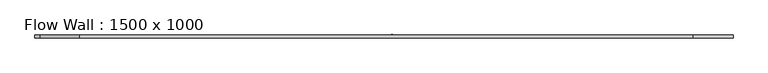
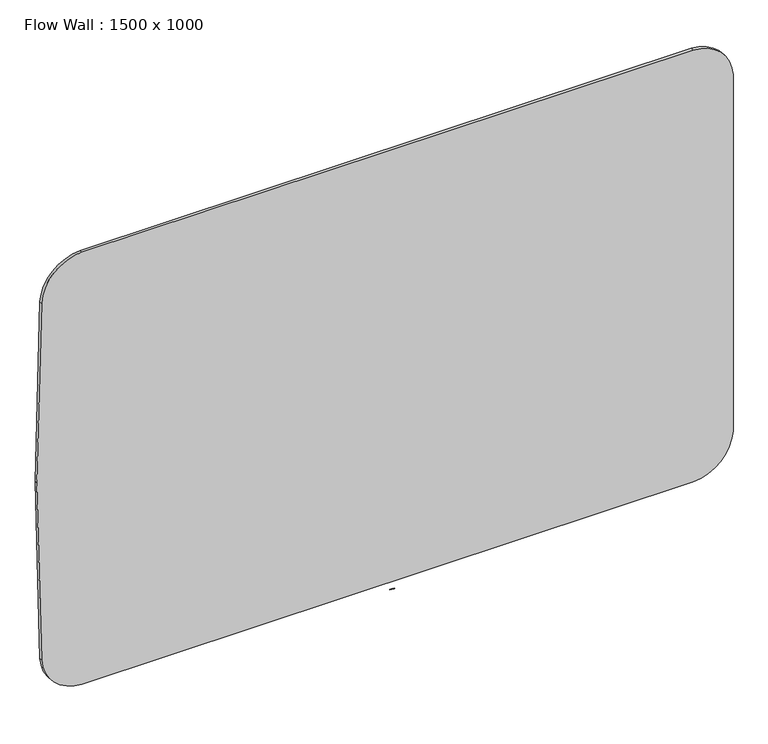
"""IFC4 building model written with IfcOpenShell, lengths in millimetres: furniture geometry, Flow Wall : 1500 x 1000."""

from ifc_helpers import new_model, si_unit, point, frame, frame_2d, origin, place, context, project, spatial, circle_curve, trimmed, segment, composite_curve, outline, extrude, source, transform, mapped, element, save


def flow_wall_1500_x_1000_fdc0dab7(model_context):
    return source(origin(), model_context, "Body", "SweptSolid", [
        extrude(outline(composite_curve([segment(trimmed(circle_curve(frame_2d((-13993.963356, 0.0)), 15000.0), [point((991.7912469, 653.5740067))], [point((991.7912469, -653.5740067))], False, "CARTESIAN"), True, "CONTINUOUS"), segment(trimmed(circle_curve(frame_2d((901.8767193, -649.6525627)), 90.0), [point((991.7912469, -653.5740067))], [point((906.4149311, -739.5380711))], False, "CARTESIAN"), True, "CONTINUOUS"), segment(trimmed(circle_curve(frame_2d((503.018322, 7250.2849041)), 8000.0), [point((906.4149311, -739.5380711))], [point((503.018322, -749.7150959))], False, "CARTESIAN"), True, "CONTINUOUS"), segment(trimmed(circle_curve(frame_2d((503.018322, 7250.2849041)), 8000.0), [point((503.018322, -749.7150959))], [point((99.6217129, -739.5380711))], False, "CARTESIAN"), True, "CONTINUOUS"), segment(trimmed(circle_curve(frame_2d((104.1599247, -649.6525627)), 90.0), [point((99.6217129, -739.5380711))], [point((14.2453971, -653.5740067))], False, "CARTESIAN"), True, "CONTINUOUS"), segment(trimmed(circle_curve(frame_2d((15000.0, 0.0)), 15000.0), [point((14.2453971, -653.5740067))], [point((14.2453971, 653.5740067))], False, "CARTESIAN"), True, "CONTINUOUS"), segment(trimmed(circle_curve(frame_2d((104.1599247, 649.6525627)), 90.0), [point((14.2453971, 653.5740067))], [point((99.6217129, 739.5380711))], False, "CARTESIAN"), True, "CONTINUOUS"), segment(trimmed(circle_curve(frame_2d((503.018322, -7250.2849041)), 8000.0), [point((99.6217129, 739.5380711))], [point((906.4149311, 739.5380711))], False, "CARTESIAN"), True, "CONTINUOUS"), segment(trimmed(circle_curve(frame_2d((901.8767193, 649.6525627)), 90.0), [point((906.4149311, 739.5380711))], [point((991.7912469, 653.5740067))], False, "CARTESIAN"), True, "CONTINUOUS")], self_intersect=False)), frame((0.0, -6.0, 0.0), z_axis=(0.0, 1.0, 0.0), x_axis=(0.0, 0.0, 1.0)), (0.0, 0.0, 1.0), 6.0),
        extrude(outline(composite_curve([segment(trimmed(circle_curve(frame_2d((17.8140378, -29.8743533)), 30.0), [point((16.9116166, 0.1120708))], [point((18.7164591, 0.1120708))], False, "CARTESIAN"), True, "CONTINUOUS"), segment(trimmed(circle_curve(frame_2d((18.713763, 0.022123)), 0.0899883), [point((18.7164591, 0.1120708))], [point((18.803638, 0.0266359))], False, "CARTESIAN"), True, "CONTINUOUS"), segment(trimmed(circle_curve(frame_2d((10.8137529, -0.3755281)), 8.0), [point((18.803638, 0.0266359))], [point((18.803638, -0.7776922))], False, "CARTESIAN"), True, "CONTINUOUS"), segment(trimmed(circle_curve(frame_2d((18.713763, -0.7731792)), 0.0899883), [point((18.803638, -0.7776922))], [point((18.7164591, -0.8631271))], False, "CARTESIAN"), True, "CONTINUOUS"), segment(trimmed(circle_curve(frame_2d((17.8140378, 29.1232971)), 30.0), [point((18.7164591, -0.8631271))], [point((16.9116166, -0.8631271))], False, "CARTESIAN"), True, "CONTINUOUS"), segment(trimmed(circle_curve(frame_2d((16.9143126, -0.7731792)), 0.0899883), [point((16.9116166, -0.8631271))], [point((16.8244376, -0.7776922))], False, "CARTESIAN"), True, "CONTINUOUS"), segment(trimmed(circle_curve(frame_2d((24.8143227, -0.3755281)), 8.0), [point((16.8244376, -0.7776922))], [point((16.8143227, -0.3755281))], False, "CARTESIAN"), True, "CONTINUOUS"), segment(trimmed(circle_curve(frame_2d((24.8143227, -0.3755281)), 8.0), [point((16.8143227, -0.3755281))], [point((16.8244376, 0.0266359))], False, "CARTESIAN"), True, "CONTINUOUS"), segment(trimmed(circle_curve(frame_2d((16.9143126, 0.022123)), 0.0899883), [point((16.8244376, 0.0266359))], [point((16.9116166, 0.1120708))], False, "CARTESIAN"), True, "CONTINUOUS")], self_intersect=False)), frame((0.0, 0.0, -7.4147222), z_axis=(0.0, 0.0, 1.0), x_axis=(1.0, 0.0, 0.0)), (0.0, 0.0, 1.0), 0.006),
        extrude(outline(composite_curve([segment(trimmed(circle_curve(frame_2d((14.8989791, -14.1960751)), 15.0), [point((14.2454051, 0.7896795))], [point((15.5525531, 0.7896795))], False, "CARTESIAN"), True, "CONTINUOUS"), segment(trimmed(circle_curve(frame_2d((15.5486316, 0.699765)), 0.09), [point((15.5525531, 0.7896795))], [point((15.6385171, 0.7043032))], False, "CARTESIAN"), True, "CONTINUOUS"), segment(trimmed(circle_curve(frame_2d((7.6486942, 0.3009066)), 8.0), [point((15.6385171, 0.7043032))], [point((15.6385171, -0.10249))], False, "CARTESIAN"), True, "CONTINUOUS"), segment(trimmed(circle_curve(frame_2d((15.5486316, -0.0979518)), 0.09), [point((15.6385171, -0.10249))], [point((15.5525531, -0.1878663))], False, "CARTESIAN"), True, "CONTINUOUS"), segment(trimmed(circle_curve(frame_2d((14.8989791, 14.7978883)), 15.0), [point((15.5525531, -0.1878663))], [point((14.2454051, -0.1878663))], False, "CARTESIAN"), True, "CONTINUOUS"), segment(trimmed(circle_curve(frame_2d((14.2493265, -0.0979518)), 0.09), [point((14.2454051, -0.1878663))], [point((14.159441, -0.10249))], False, "CARTESIAN"), True, "CONTINUOUS"), segment(trimmed(circle_curve(frame_2d((22.149264, 0.3009066)), 8.0), [point((14.159441, -0.10249))], [point((14.149264, 0.3009066))], False, "CARTESIAN"), True, "CONTINUOUS"), segment(trimmed(circle_curve(frame_2d((22.149264, 0.3009066)), 8.0), [point((14.149264, 0.3009066))], [point((14.159441, 0.7043032))], False, "CARTESIAN"), True, "CONTINUOUS"), segment(trimmed(circle_curve(frame_2d((14.2493265, 0.699765)), 0.09), [point((14.159441, 0.7043032))], [point((14.2454051, 0.7896795))], False, "CARTESIAN"), True, "CONTINUOUS")], self_intersect=False)), frame((0.0, 0.0, -7.4147222), z_axis=(0.0, 0.0, 1.0), x_axis=(1.0, 0.0, 0.0)), (0.0, 0.0, 1.0), 0.006),
        extrude(outline(composite_curve([segment(trimmed(circle_curve(frame_2d((13.2344979, -10.6292964)), 11.5), [point((12.7057204, 0.8585404))], [point((13.7632754, 0.8585404))], False, "CARTESIAN"), True, "CONTINUOUS"), segment(trimmed(circle_curve(frame_2d((13.7591372, 0.7686356)), 0.09), [point((13.7632754, 0.8585404))], [point((13.8490225, 0.7731768))], False, "CARTESIAN"), True, "CONTINUOUS"), segment(trimmed(circle_curve(frame_2d((5.859213, 0.369514)), 8.0), [point((13.8490225, 0.7731768))], [point((13.8490225, -0.0341489))], False, "CARTESIAN"), True, "CONTINUOUS"), segment(trimmed(circle_curve(frame_2d((13.7591372, -0.0296077)), 0.09), [point((13.8490225, -0.0341489))], [point((13.7632754, -0.1195125))], False, "CARTESIAN"), True, "CONTINUOUS"), segment(trimmed(circle_curve(frame_2d((13.2344979, 11.3683243)), 11.5), [point((13.7632754, -0.1195125))], [point((12.7057204, -0.1195125))], False, "CARTESIAN"), True, "CONTINUOUS"), segment(trimmed(circle_curve(frame_2d((12.7098586, -0.0296077)), 0.09), [point((12.7057204, -0.1195125))], [point((12.6199733, -0.0341489))], False, "CARTESIAN"), True, "CONTINUOUS"), segment(trimmed(circle_curve(frame_2d((20.6097828, 0.369514)), 8.0), [point((12.6199733, -0.0341489))], [point((12.6097828, 0.369514))], False, "CARTESIAN"), True, "CONTINUOUS"), segment(trimmed(circle_curve(frame_2d((20.6097828, 0.369514)), 8.0), [point((12.6097828, 0.369514))], [point((12.6199733, 0.7731768))], False, "CARTESIAN"), True, "CONTINUOUS"), segment(trimmed(circle_curve(frame_2d((12.7098586, 0.7686356)), 0.09), [point((12.6199733, 0.7731768))], [point((12.7057204, 0.8585404))], False, "CARTESIAN"), True, "CONTINUOUS")], self_intersect=False)), frame((0.0, 0.0, -7.4147222), z_axis=(0.0, 0.0, 1.0), x_axis=(1.0, 0.0, 0.0)), (0.0, 0.0, 1.0), 0.006),
        extrude(outline(composite_curve([segment(trimmed(circle_curve(frame_2d((11.880102, -7.1379444)), 8.0), [point((11.4759408, 0.85184))], [point((12.2842632, 0.85184))], False, "CARTESIAN"), True, "CONTINUOUS"), segment(trimmed(circle_curve(frame_2d((12.2797164, 0.7619549)), 0.09), [point((12.2842632, 0.85184))], [point((12.3696014, 0.7665017))], False, "CARTESIAN"), True, "CONTINUOUS"), segment(trimmed(circle_curve(frame_2d((4.3798171, 0.3623405)), 8.0), [point((12.3696014, 0.7665017))], [point((12.3696014, -0.0418206))], False, "CARTESIAN"), True, "CONTINUOUS"), segment(trimmed(circle_curve(frame_2d((12.2797164, -0.0372738)), 0.09), [point((12.3696014, -0.0418206))], [point((12.2842632, -0.1271589))], False, "CARTESIAN"), True, "CONTINUOUS"), segment(trimmed(circle_curve(frame_2d((11.880102, 7.8626254)), 8.0), [point((12.2842632, -0.1271589))], [point((11.4759408, -0.1271589))], False, "CARTESIAN"), True, "CONTINUOUS"), segment(trimmed(circle_curve(frame_2d((11.4804876, -0.0372738)), 0.09), [point((11.4759408, -0.1271589))], [point((11.3906026, -0.0418206))], False, "CARTESIAN"), True, "CONTINUOUS"), segment(trimmed(circle_curve(frame_2d((19.3803869, 0.3623405)), 8.0), [point((11.3906026, -0.0418206))], [point((11.3803869, 0.3623405))], False, "CARTESIAN"), True, "CONTINUOUS"), segment(trimmed(circle_curve(frame_2d((19.3803869, 0.3623405)), 8.0), [point((11.3803869, 0.3623405))], [point((11.3906026, 0.7665017))], False, "CARTESIAN"), True, "CONTINUOUS"), segment(trimmed(circle_curve(frame_2d((11.4804876, 0.7619549)), 0.09), [point((11.3906026, 0.7665017))], [point((11.4759408, 0.85184))], False, "CARTESIAN"), True, "CONTINUOUS")], self_intersect=False)), frame((0.0, 0.0, -7.4147222), z_axis=(0.0, 0.0, 1.0), x_axis=(1.0, 0.0, 0.0)), (0.0, 0.0, 1.0), 0.006),
        extrude(outline(composite_curve([segment(trimmed(circle_curve(frame_2d((10.7219096, -5.1332795)), 6.0), [point((10.4208166, 0.859161))], [point((11.0230025, 0.859161))], False, "CARTESIAN"), True, "CONTINUOUS"), segment(trimmed(circle_curve(frame_2d((11.0194898, 0.7892492)), 0.07), [point((11.0230025, 0.859161))], [point((11.0894016, 0.792762))], False, "CARTESIAN"), True, "CONTINUOUS"), segment(trimmed(circle_curve(frame_2d((5.0969611, 0.491669)), 6.0), [point((11.0894016, 0.792762))], [point((11.0894016, 0.1905761))], False, "CARTESIAN"), True, "CONTINUOUS"), segment(trimmed(circle_curve(frame_2d((11.0194898, 0.1940888)), 0.07), [point((11.0894016, 0.1905761))], [point((11.0230025, 0.124177))], False, "CARTESIAN"), True, "CONTINUOUS"), segment(trimmed(circle_curve(frame_2d((10.7219096, 6.1166175)), 6.0), [point((11.0230025, 0.124177))], [point((10.4208166, 0.124177))], False, "CARTESIAN"), True, "CONTINUOUS"), segment(trimmed(circle_curve(frame_2d((10.4243294, 0.1940888)), 0.07), [point((10.4208166, 0.124177))], [point((10.3544176, 0.1905761))], False, "CARTESIAN"), True, "CONTINUOUS"), segment(trimmed(circle_curve(frame_2d((16.346858, 0.491669)), 6.0), [point((10.3544176, 0.1905761))], [point((10.346858, 0.491669))], False, "CARTESIAN"), True, "CONTINUOUS"), segment(trimmed(circle_curve(frame_2d((16.346858, 0.491669)), 6.0), [point((10.346858, 0.491669))], [point((10.3544176, 0.792762))], False, "CARTESIAN"), True, "CONTINUOUS"), segment(trimmed(circle_curve(frame_2d((10.4243294, 0.7892492)), 0.07), [point((10.3544176, 0.792762))], [point((10.4208166, 0.859161))], False, "CARTESIAN"), True, "CONTINUOUS")], self_intersect=False)), frame((0.0, 0.0, -7.4147222), z_axis=(0.0, 0.0, 1.0), x_axis=(1.0, 0.0, 0.0)), (0.0, 0.0, 1.0), 0.006),
        extrude(outline(composite_curve([segment(trimmed(circle_curve(frame_2d((9.4837532, -3.2756697)), 4.0), [point((9.286245, 0.7194511))], [point((9.6812614, 0.7194511))], False, "CARTESIAN"), True, "CONTINUOUS"), segment(trimmed(circle_curve(frame_2d((9.6787926, 0.6695121)), 0.05), [point((9.6812614, 0.7194511))], [point((9.7287316, 0.6719809))], False, "CARTESIAN"), True, "CONTINUOUS"), segment(trimmed(circle_curve(frame_2d((5.7336107, 0.4744727)), 4.0), [point((9.7287316, 0.6719809))], [point((9.7287316, 0.2769645))], False, "CARTESIAN"), True, "CONTINUOUS"), segment(trimmed(circle_curve(frame_2d((9.6787926, 0.2794333)), 0.05), [point((9.7287316, 0.2769645))], [point((9.6812614, 0.2294943))], False, "CARTESIAN"), True, "CONTINUOUS"), segment(trimmed(circle_curve(frame_2d((9.4837532, 4.2246152)), 4.0), [point((9.6812614, 0.2294943))], [point((9.286245, 0.2294943))], False, "CARTESIAN"), True, "CONTINUOUS"), segment(trimmed(circle_curve(frame_2d((9.2887138, 0.2794333)), 0.05), [point((9.286245, 0.2294943))], [point((9.2387748, 0.2769645))], False, "CARTESIAN"), True, "CONTINUOUS"), segment(trimmed(circle_curve(frame_2d((13.2338956, 0.4744727)), 4.0), [point((9.2387748, 0.2769645))], [point((9.2338956, 0.4744727))], False, "CARTESIAN"), True, "CONTINUOUS"), segment(trimmed(circle_curve(frame_2d((13.2338956, 0.4744727)), 4.0), [point((9.2338956, 0.4744727))], [point((9.2387748, 0.6719809))], False, "CARTESIAN"), True, "CONTINUOUS"), segment(trimmed(circle_curve(frame_2d((9.2887138, 0.6695121)), 0.05), [point((9.2387748, 0.6719809))], [point((9.286245, 0.7194511))], False, "CARTESIAN"), True, "CONTINUOUS")], self_intersect=False)), frame((0.0, 0.0, -7.4147222), z_axis=(0.0, 0.0, 1.0), x_axis=(1.0, 0.0, 0.0)), (0.0, 0.0, 1.0), 0.006),
        extrude(outline(composite_curve([segment(trimmed(circle_curve(frame_2d((8.6540231, -2.2771172)), 2.7), [point((8.5348244, 0.4202503))], [point((8.7732217, 0.4202503))], False, "CARTESIAN"), True, "CONTINUOUS"), segment(trimmed(circle_curve(frame_2d((8.7718973, 0.3902796)), 0.03), [point((8.7732217, 0.4202503))], [point((8.8018681, 0.391604))], False, "CARTESIAN"), True, "CONTINUOUS"), segment(trimmed(circle_curve(frame_2d((6.1045005, 0.2724054)), 2.7), [point((8.8018681, 0.391604))], [point((8.8018681, 0.1532067))], False, "CARTESIAN"), True, "CONTINUOUS"), segment(trimmed(circle_curve(frame_2d((8.7718973, 0.1545311)), 0.03), [point((8.8018681, 0.1532067))], [point((8.7732217, 0.1245604))], False, "CARTESIAN"), True, "CONTINUOUS"), segment(trimmed(circle_curve(frame_2d((8.6540231, 2.8219279)), 2.7), [point((8.7732217, 0.1245604))], [point((8.5348244, 0.1245604))], False, "CARTESIAN"), True, "CONTINUOUS"), segment(trimmed(circle_curve(frame_2d((8.5361489, 0.1545311)), 0.03), [point((8.5348244, 0.1245604))], [point((8.5061781, 0.1532067))], False, "CARTESIAN"), True, "CONTINUOUS"), segment(trimmed(circle_curve(frame_2d((11.2035457, 0.2724054)), 2.7), [point((8.5061781, 0.1532067))], [point((8.5035457, 0.2724054))], False, "CARTESIAN"), True, "CONTINUOUS"), segment(trimmed(circle_curve(frame_2d((11.2035457, 0.2724054)), 2.7), [point((8.5035457, 0.2724054))], [point((8.5061781, 0.391604))], False, "CARTESIAN"), True, "CONTINUOUS"), segment(trimmed(circle_curve(frame_2d((8.5361489, 0.3902796)), 0.03), [point((8.5061781, 0.391604))], [point((8.5348244, 0.4202503))], False, "CARTESIAN"), True, "CONTINUOUS")], self_intersect=False)), frame((0.0, 0.0, -7.4147222), z_axis=(0.0, 0.0, 1.0), x_axis=(1.0, 0.0, 0.0)), (0.0, 0.0, 1.0), 0.006),
    ])


if __name__ == "__main__":
    model = new_model("IFC4")
    model_context = context("Model", 3, world=origin())
    ifc_project = project(units=[si_unit("LENGTHUNIT", "METRE", prefix="MILLI")], contexts=[model_context])
    site = spatial("IfcSite", under=ifc_project)
    building = spatial("IfcBuilding", under=site)
    placement = place(None, origin())
    flow_wall_1500_x_1000_shape = flow_wall_1500_x_1000_fdc0dab7(model_context)
    element("IfcFurniture", 1, ObjectType="Flow Wall : 1500 x 1000", at=placement, inside=building, context=model_context, shape_type="MappedRepresentation", body=[
        mapped(flow_wall_1500_x_1000_shape, transform((0.0, 0.0, 0.0), x_axis=(1.0, 0.0, 0.0), y_axis=(0.0, 1.0, 0.0), z_axis=(0.0, 0.0, 1.0))),
    ])
    save(model, "model.ifc")
